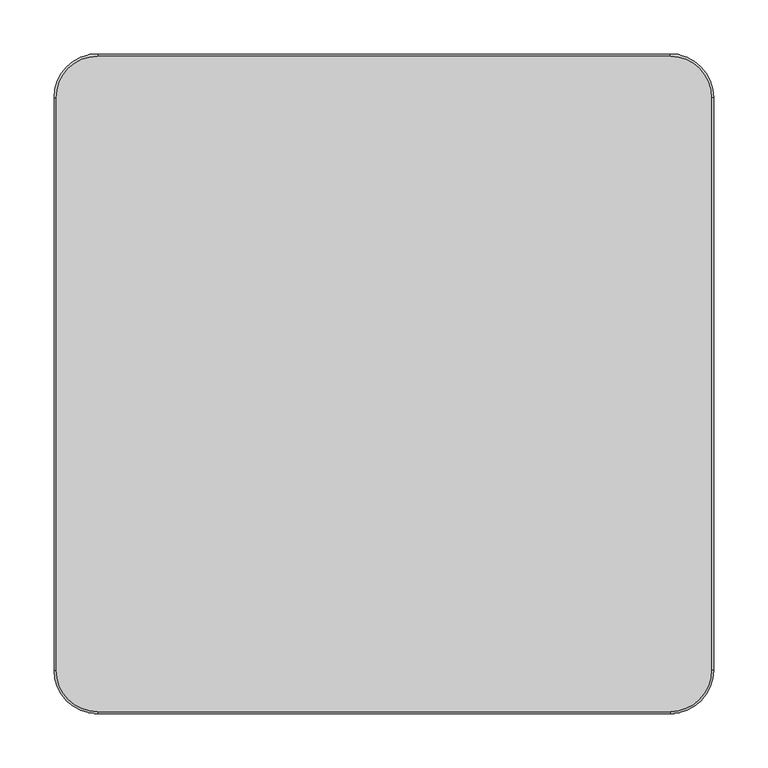
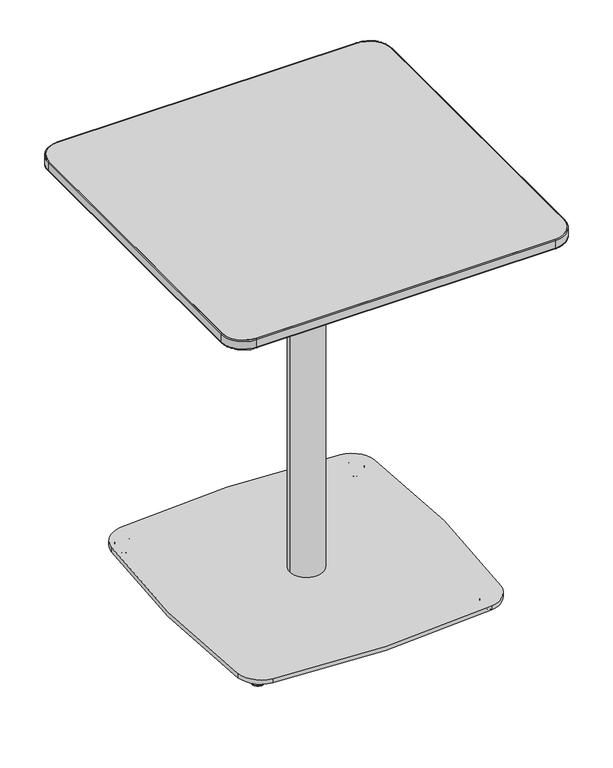
"""IFC4 building model written with IfcOpenShell, lengths in millimetres: furniture geometry."""

from ifc_helpers import new_model, si_unit, point, frame, frame_2d, origin, place, context, project, spatial, polyline, circle_curve, ellipse_curve, trimmed, segment, composite_curve, outline, extrude, source, transform, mapped, element, save
from ifc_brep_helpers import plane_surface, cylinder_surface, revolved_surface, spline_surface, advanced_brep


def furniture_dcd677de(model_context):
    return source(origin(), model_context, "Body", "SolidModel", [
        advanced_brep(
        [(-199.4595416, -196.2537842, 0.0), (-209.8436061, -214.2395115, 0.0), (-204.6515739, -205.2466479, 0.0), (-199.0731063, -195.5844585, 0.5718943), (-210.2300415, -214.9088372, 0.5718943), (-197.4473977, -192.7686487, 11.2068005), (-211.8557501, -217.7246471, 11.2068005), (-197.7408617, -193.2769433, 11.9999882), (-211.5622861, -217.2163525, 11.9999882), (-204.6515739, -205.2466479, 11.9999882)],
        [
            (0, 1, circle_curve(frame((-204.6515739, -205.2466479, 0.0), z_axis=(0.0, 0.0, -1.0), x_axis=(-0.5000000000000069, -0.8660254037844347, 0.0)), 10.3840645)),
            (1, 2),
            (2, 0),
            (1, 0, circle_curve(frame((-204.6515739, -205.2466479, 0.0), z_axis=(0.0, 0.0, -1.0), x_axis=(-0.5000000000000069, -0.8660254037844347, 0.0)), 10.3840645)),
            (3, 4, circle_curve(frame((-204.6515739, -205.2466479, 0.5718943), z_axis=(0.0, 0.0, -1.0), x_axis=(-0.5000000000000069, -0.8660254037844347, 0.0)), 11.1569353)),
            (4, 1, circle_curve(frame((-209.8436061, -214.2395115, 0.8081846), z_axis=(0.8660254037844347, -0.5000000000000069, 0.0), x_axis=(-0.5000000000000069, -0.8660254037844347, 0.0)), 0.8081846)),
            (0, 3, circle_curve(frame((-199.4595416, -196.2537842, 0.8081846), z_axis=(0.866025403784433, -0.5000000000000097, 0.0), x_axis=(0.5000000000000097, 0.866025403784433, 0.0)), 0.8081846)),
            (4, 3, circle_curve(frame((-204.6515739, -205.2466479, 0.5718943), z_axis=(0.0, 0.0, -1.0), x_axis=(-0.5000000000000069, -0.8660254037844347, 0.0)), 11.1569353)),
            (5, 6, circle_curve(frame((-204.6515739, -205.2466479, 11.2068005), z_axis=(0.0, 0.0, -1.0), x_axis=(-0.5000000000000069, -0.8660254037844347, 0.0)), 14.4083524)),
            (6, 4),
            (3, 5),
            (6, 5, circle_curve(frame((-204.6515739, -205.2466479, 11.2068005), z_axis=(0.0, 0.0, -1.0), x_axis=(-0.5000000000000069, -0.8660254037844347, 0.0)), 14.4083524)),
            (7, 8, circle_curve(frame((-204.6515739, -205.2466479, 11.9999882), z_axis=(0.0, 0.0, -1.0), x_axis=(-0.5000000000000069, -0.8660254037844347, 0.0)), 13.8214243)),
            (8, 6, circle_curve(frame((-211.5622861, -217.2163525, 11.3862424), z_axis=(0.8660254037844347, -0.5000000000000069, 0.0), x_axis=(-0.5000000000000069, -0.8660254037844347, 0.0)), 0.6137458)),
            (5, 7, circle_curve(frame((-197.7408617, -193.2769433, 11.3862424), z_axis=(0.866025403784433, -0.5000000000000097, 0.0), x_axis=(0.5000000000000097, 0.866025403784433, 0.0)), 0.6137458)),
            (8, 7, circle_curve(frame((-204.6515739, -205.2466479, 11.9999882), z_axis=(0.0, 0.0, -1.0), x_axis=(-0.5000000000000069, -0.8660254037844347, 0.0)), 13.8214243)),
            (9, 8),
            (7, 9),
        ],
        [
            plane_surface(frame((-204.6515739, -205.2466479, 0.0), z_axis=(0.0, 0.0, -1.0), x_axis=(-0.5000000000000069, -0.8660254037844347, 0.0))),
            revolved_surface(trimmed(ellipse_curve(frame((-209.8436061, -214.2395115, 0.8081846), z_axis=(-0.8660254037844347, 0.5000000000000069, 0.0), x_axis=(-0.5000000000000069, -0.8660254037844347, 0.0)), 0.8081846, 0.8081846), [point((-209.8436061, -214.2395115, 0.0))], [point((-210.2300415, -214.9088372, 0.5718943))], True, "CARTESIAN"), (-204.6515739, -205.2466479, 12.2086845), (0.0, 0.0, 1.0)),
            revolved_surface(polyline([(-210.2300415, -214.9088372, 0.5718943), (-211.8557501, -217.7246471, 11.2068005)]), (-204.6515739, -205.2466479, 12.2086845), (0.0, 0.0, 1.0)),
            revolved_surface(trimmed(ellipse_curve(frame((-211.5622861, -217.2163525, 11.3862424), z_axis=(-0.8660254037844347, 0.5000000000000069, 0.0), x_axis=(-0.5000000000000069, -0.8660254037844347, 0.0)), 0.6137458, 0.6137458), [point((-211.8557501, -217.7246471, 11.2068005))], [point((-211.5622861, -217.2163525, 11.9999882))], True, "CARTESIAN"), (-204.6515739, -205.2466479, 12.2086845), (0.0, 0.0, 1.0)),
            plane_surface(frame((-204.6515739, -205.2466479, 11.9999882), z_axis=(0.0, 0.0, 1.0), x_axis=(-0.5000000000000069, -0.8660254037844347, 0.0))),
        ],
        [
            (0, [[1, 2, 3]]),
            (0, [[4, -3, -2]]),
            (1, [[5, 6, -1, 7]]),
            (1, [[8, -7, -4, -6]]),
            (2, [[9, 10, -5, 11]]),
            (2, [[12, -11, -8, -10]]),
            (3, [[13, 14, -9, 15]]),
            (3, [[16, -15, -12, -14]]),
            (4, [[17, -13, 18]]),
            (4, [[-18, -16, -17]]),
        ],
    ),
        advanced_brep(
        [(204.6515739, -205.2466479, 0.0), (209.8436061, -214.2395115, 0.0), (199.4595416, -196.2537842, 0.0), (210.2300415, -214.9088372, 0.5718943), (199.0731063, -195.5844585, 0.5718943), (211.8557501, -217.7246471, 11.2068005), (197.4473977, -192.7686487, 11.2068005), (211.5622861, -217.2163525, 11.9999882), (197.7408617, -193.2769433, 11.9999882), (204.6515739, -205.2466479, 11.9999882)],
        [
            (0, 1),
            (1, 2, circle_curve(frame((204.6515739, -205.2466479, 0.0), z_axis=(0.0, 0.0, -1.0), x_axis=(0.5000000000000069, -0.8660254037844347, 0.0)), 10.3840645)),
            (2, 0),
            (2, 1, circle_curve(frame((204.6515739, -205.2466479, 0.0), z_axis=(0.0, 0.0, -1.0), x_axis=(0.5000000000000069, -0.8660254037844347, 0.0)), 10.3840645)),
            (1, 3, circle_curve(frame((209.8436061, -214.2395115, 0.8081846), z_axis=(-0.8660254037844347, -0.5000000000000069, 0.0), x_axis=(0.5000000000000069, -0.8660254037844347, 0.0)), 0.8081846)),
            (3, 4, circle_curve(frame((204.6515739, -205.2466479, 0.5718943), z_axis=(0.0, 0.0, -1.0), x_axis=(0.5000000000000069, -0.8660254037844347, 0.0)), 11.1569353)),
            (4, 2, circle_curve(frame((199.4595416, -196.2537842, 0.8081846), z_axis=(-0.866025403784433, -0.5000000000000097, 0.0), x_axis=(-0.5000000000000097, 0.866025403784433, 0.0)), 0.8081846)),
            (4, 3, circle_curve(frame((204.6515739, -205.2466479, 0.5718943), z_axis=(0.0, 0.0, -1.0), x_axis=(0.5000000000000069, -0.8660254037844347, 0.0)), 11.1569353)),
            (3, 5),
            (5, 6, circle_curve(frame((204.6515739, -205.2466479, 11.2068005), z_axis=(0.0, 0.0, -1.0), x_axis=(0.5000000000000069, -0.8660254037844347, 0.0)), 14.4083524)),
            (6, 4),
            (6, 5, circle_curve(frame((204.6515739, -205.2466479, 11.2068005), z_axis=(0.0, 0.0, -1.0), x_axis=(0.5000000000000069, -0.8660254037844347, 0.0)), 14.4083524)),
            (5, 7, circle_curve(frame((211.5622861, -217.2163525, 11.3862424), z_axis=(-0.8660254037844347, -0.5000000000000069, 0.0), x_axis=(0.5000000000000069, -0.8660254037844347, 0.0)), 0.6137458)),
            (7, 8, circle_curve(frame((204.6515739, -205.2466479, 11.9999882), z_axis=(0.0, 0.0, -1.0), x_axis=(0.5000000000000069, -0.8660254037844347, 0.0)), 13.8214243)),
            (8, 6, circle_curve(frame((197.7408617, -193.2769433, 11.3862424), z_axis=(-0.866025403784433, -0.5000000000000097, 0.0), x_axis=(-0.5000000000000097, 0.866025403784433, 0.0)), 0.6137458)),
            (8, 7, circle_curve(frame((204.6515739, -205.2466479, 11.9999882), z_axis=(0.0, 0.0, -1.0), x_axis=(0.5000000000000069, -0.8660254037844347, 0.0)), 13.8214243)),
            (7, 9),
            (9, 8),
        ],
        [
            plane_surface(frame((204.6515739, -205.2466479, 0.0), z_axis=(0.0, 0.0, -1.0), x_axis=(0.5000000000000069, -0.8660254037844347, 0.0))),
            revolved_surface(trimmed(ellipse_curve(frame((209.8436061, -214.2395115, 0.8081846), z_axis=(0.8660254037844347, 0.5000000000000069, 0.0), x_axis=(0.5000000000000069, -0.8660254037844347, 0.0)), 0.8081846, 0.8081846), [point((210.2300415, -214.9088372, 0.5718943))], [point((209.8436061, -214.2395115, 0.0))], True, "CARTESIAN"), (204.6515739, -205.2466479, 12.2086845), (0.0, 0.0, -1.0)),
            revolved_surface(polyline([(211.8557501, -217.7246471, 11.2068005), (210.2300415, -214.9088372, 0.5718943)]), (204.6515739, -205.2466479, 12.2086845), (0.0, 0.0, -1.0)),
            revolved_surface(trimmed(ellipse_curve(frame((211.5622861, -217.2163525, 11.3862424), z_axis=(0.8660254037844347, 0.5000000000000069, 0.0), x_axis=(0.5000000000000069, -0.8660254037844347, 0.0)), 0.6137458, 0.6137458), [point((211.5622861, -217.2163525, 11.9999882))], [point((211.8557501, -217.7246471, 11.2068005))], True, "CARTESIAN"), (204.6515739, -205.2466479, 12.2086845), (0.0, 0.0, -1.0)),
            plane_surface(frame((204.6515739, -205.2466479, 11.9999882), z_axis=(0.0, 0.0, 1.0), x_axis=(0.5000000000000069, -0.8660254037844347, 0.0))),
        ],
        [
            (0, [[1, 2, 3]]),
            (0, [[-3, 4, -1]]),
            (1, [[-2, 5, 6, 7]]),
            (1, [[-4, -7, 8, -5]]),
            (2, [[-6, 9, 10, 11]]),
            (2, [[-8, -11, 12, -9]]),
            (3, [[-10, 13, 14, 15]]),
            (3, [[-12, -15, 16, -13]]),
            (4, [[-14, 17, 18]]),
            (4, [[-16, -18, -17]]),
        ],
    ),
        advanced_brep(
        [(199.4595416, 196.2537842, 0.0), (209.8436061, 214.2395115, 0.0), (204.6515739, 205.2466479, 0.0), (199.0731063, 195.5844585, 0.5718943), (210.2300415, 214.9088372, 0.5718943), (197.4473977, 192.7686487, 11.2068005), (211.8557501, 217.7246471, 11.2068005), (197.7408617, 193.2769433, 11.9999882), (211.5622861, 217.2163525, 11.9999882), (204.6515739, 205.2466479, 11.9999882)],
        [
            (0, 1, circle_curve(frame((204.6515739, 205.2466479, 0.0), z_axis=(0.0, 0.0, -1.0), x_axis=(0.5000000000000069, 0.8660254037844347, 0.0)), 10.3840645)),
            (1, 2),
            (2, 0),
            (1, 0, circle_curve(frame((204.6515739, 205.2466479, 0.0), z_axis=(0.0, 0.0, -1.0), x_axis=(0.5000000000000069, 0.8660254037844347, 0.0)), 10.3840645)),
            (3, 4, circle_curve(frame((204.6515739, 205.2466479, 0.5718943), z_axis=(0.0, 0.0, -1.0), x_axis=(0.5000000000000069, 0.8660254037844347, 0.0)), 11.1569353)),
            (4, 1, circle_curve(frame((209.8436061, 214.2395115, 0.8081846), z_axis=(-0.8660254037844347, 0.5000000000000069, 0.0), x_axis=(0.5000000000000069, 0.8660254037844347, 0.0)), 0.8081846)),
            (0, 3, circle_curve(frame((199.4595416, 196.2537842, 0.8081846), z_axis=(-0.866025403784433, 0.5000000000000097, 0.0), x_axis=(-0.5000000000000097, -0.866025403784433, 0.0)), 0.8081846)),
            (4, 3, circle_curve(frame((204.6515739, 205.2466479, 0.5718943), z_axis=(0.0, 0.0, -1.0), x_axis=(0.5000000000000069, 0.8660254037844347, 0.0)), 11.1569353)),
            (5, 6, circle_curve(frame((204.6515739, 205.2466479, 11.2068005), z_axis=(0.0, 0.0, -1.0), x_axis=(0.5000000000000069, 0.8660254037844347, 0.0)), 14.4083524)),
            (6, 4),
            (3, 5),
            (6, 5, circle_curve(frame((204.6515739, 205.2466479, 11.2068005), z_axis=(0.0, 0.0, -1.0), x_axis=(0.5000000000000069, 0.8660254037844347, 0.0)), 14.4083524)),
            (7, 8, circle_curve(frame((204.6515739, 205.2466479, 11.9999882), z_axis=(0.0, 0.0, -1.0), x_axis=(0.5000000000000069, 0.8660254037844347, 0.0)), 13.8214243)),
            (8, 6, circle_curve(frame((211.5622861, 217.2163525, 11.3862424), z_axis=(-0.8660254037844347, 0.5000000000000069, 0.0), x_axis=(0.5000000000000069, 0.8660254037844347, 0.0)), 0.6137458)),
            (5, 7, circle_curve(frame((197.7408617, 193.2769433, 11.3862424), z_axis=(-0.866025403784433, 0.5000000000000097, 0.0), x_axis=(-0.5000000000000097, -0.866025403784433, 0.0)), 0.6137458)),
            (8, 7, circle_curve(frame((204.6515739, 205.2466479, 11.9999882), z_axis=(0.0, 0.0, -1.0), x_axis=(0.5000000000000069, 0.8660254037844347, 0.0)), 13.8214243)),
            (9, 8),
            (7, 9),
        ],
        [
            plane_surface(frame((204.6515739, 205.2466479, 0.0), z_axis=(0.0, 0.0, -1.0), x_axis=(0.5000000000000069, 0.8660254037844347, 0.0))),
            revolved_surface(trimmed(ellipse_curve(frame((209.8436061, 214.2395115, 0.8081846), z_axis=(0.8660254037844347, -0.5000000000000069, 0.0), x_axis=(0.5000000000000069, 0.8660254037844347, 0.0)), 0.8081846, 0.8081846), [point((209.8436061, 214.2395115, 0.0))], [point((210.2300415, 214.9088372, 0.5718943))], True, "CARTESIAN"), (204.6515739, 205.2466479, 12.2086845), (0.0, 0.0, 1.0)),
            revolved_surface(polyline([(210.2300415, 214.9088372, 0.5718943), (211.8557501, 217.7246471, 11.2068005)]), (204.6515739, 205.2466479, 12.2086845), (0.0, 0.0, 1.0)),
            revolved_surface(trimmed(ellipse_curve(frame((211.5622861, 217.2163525, 11.3862424), z_axis=(0.8660254037844347, -0.5000000000000069, 0.0), x_axis=(0.5000000000000069, 0.8660254037844347, 0.0)), 0.6137458, 0.6137458), [point((211.8557501, 217.7246471, 11.2068005))], [point((211.5622861, 217.2163525, 11.9999882))], True, "CARTESIAN"), (204.6515739, 205.2466479, 12.2086845), (0.0, 0.0, 1.0)),
            plane_surface(frame((204.6515739, 205.2466479, 11.9999882), z_axis=(0.0, 0.0, 1.0), x_axis=(0.5000000000000069, 0.8660254037844347, 0.0))),
        ],
        [
            (0, [[1, 2, 3]]),
            (0, [[4, -3, -2]]),
            (1, [[5, 6, -1, 7]]),
            (1, [[8, -7, -4, -6]]),
            (2, [[9, 10, -5, 11]]),
            (2, [[12, -11, -8, -10]]),
            (3, [[13, 14, -9, 15]]),
            (3, [[16, -15, -12, -14]]),
            (4, [[17, -13, 18]]),
            (4, [[-18, -16, -17]]),
        ],
    ),
        extrude(outline(composite_curve([segment(trimmed(circle_curve(frame_2d((189.3188482, 188.9781952)), 44.45), [point((194.4241587, 233.1340363))], [point((233.4709717, 194.115557))], False, "CARTESIAN"), True, "CONTINUOUS"), segment(trimmed(circle_curve(frame_2d((-1397.5488879, 4.3367087)), 1642.0236885), [point((233.4709717, 194.115557))], [point((232.4883748, -193.704489))], False, "CARTESIAN"), True, "CONTINUOUS"), segment(trimmed(circle_curve(frame_2d((188.3628504, -188.3434633)), 44.45), [point((232.4883748, -193.704489))], [point((193.9003311, -232.4471911))], False, "CARTESIAN"), True, "CONTINUOUS"), segment(trimmed(circle_curve(frame_2d((-4.3367152, 1346.4283112)), 1591.2717488), [point((193.9003311, -232.4471911))], [point((-194.577927, -233.4305622))], False, "CARTESIAN"), True, "CONTINUOUS"), segment(trimmed(circle_curve(frame_2d((-189.263799, -189.2993652)), 44.45), [point((-194.577927, -233.4305622))], [point((-233.438325, -194.2403925))], False, "CARTESIAN"), True, "CONTINUOUS"), segment(trimmed(circle_curve(frame_2d((1503.1397991, 5.89e-05)), 1747.4074894), [point((-233.438325, -194.2403925))], [point((-233.4410299, 194.2163254))], False, "CARTESIAN"), True, "CONTINUOUS"), segment(trimmed(circle_curve(frame_2d((-189.2664351, 189.2759133)), 44.45), [point((-233.4410299, 194.2163254))], [point((-194.3022914, 233.4397294))], False, "CARTESIAN"), True, "CONTINUOUS"), segment(trimmed(circle_curve(frame_2d((-1.2702107, -1459.4269529)), 1703.8365498), [point((-194.3022914, 233.4397294))], [point((194.4241587, 233.1340363))], False, "CARTESIAN"), True, "CONTINUOUS")], self_intersect=False)), frame((0.0, 0.0, 11.999986), z_axis=(0.0, 0.0, 1.0), x_axis=(1.0, 0.0, 0.0)), (0.0, 0.0, 1.0), 8.0000105),
        advanced_brep(
        [(-204.6515739, 205.2466479, 0.0), (-209.8436061, 214.2395115, 0.0), (-199.4595416, 196.2537842, 0.0), (-210.2300415, 214.9088372, 0.5718943), (-199.0731063, 195.5844585, 0.5718943), (-211.8557501, 217.7246471, 11.2068005), (-197.4473977, 192.7686487, 11.2068005), (-211.5622861, 217.2163525, 11.9999882), (-197.7408617, 193.2769433, 11.9999882), (-204.6515739, 205.2466479, 11.9999882)],
        [
            (0, 1),
            (1, 2, circle_curve(frame((-204.6515739, 205.2466479, 0.0), z_axis=(0.0, 0.0, -1.0), x_axis=(-0.5000000000000069, 0.8660254037844347, 0.0)), 10.3840645)),
            (2, 0),
            (2, 1, circle_curve(frame((-204.6515739, 205.2466479, 0.0), z_axis=(0.0, 0.0, -1.0), x_axis=(-0.5000000000000069, 0.8660254037844347, 0.0)), 10.3840645)),
            (1, 3, circle_curve(frame((-209.8436061, 214.2395115, 0.8081846), z_axis=(0.8660254037844347, 0.5000000000000069, 0.0), x_axis=(-0.5000000000000069, 0.8660254037844347, 0.0)), 0.8081846)),
            (3, 4, circle_curve(frame((-204.6515739, 205.2466479, 0.5718943), z_axis=(0.0, 0.0, -1.0), x_axis=(-0.5000000000000069, 0.8660254037844347, 0.0)), 11.1569353)),
            (4, 2, circle_curve(frame((-199.4595416, 196.2537842, 0.8081846), z_axis=(0.866025403784433, 0.5000000000000097, 0.0), x_axis=(0.5000000000000097, -0.866025403784433, 0.0)), 0.8081846)),
            (4, 3, circle_curve(frame((-204.6515739, 205.2466479, 0.5718943), z_axis=(0.0, 0.0, -1.0), x_axis=(-0.5000000000000069, 0.8660254037844347, 0.0)), 11.1569353)),
            (3, 5),
            (5, 6, circle_curve(frame((-204.6515739, 205.2466479, 11.2068005), z_axis=(0.0, 0.0, -1.0), x_axis=(-0.5000000000000069, 0.8660254037844347, 0.0)), 14.4083524)),
            (6, 4),
            (6, 5, circle_curve(frame((-204.6515739, 205.2466479, 11.2068005), z_axis=(0.0, 0.0, -1.0), x_axis=(-0.5000000000000069, 0.8660254037844347, 0.0)), 14.4083524)),
            (5, 7, circle_curve(frame((-211.5622861, 217.2163525, 11.3862424), z_axis=(0.8660254037844347, 0.5000000000000069, 0.0), x_axis=(-0.5000000000000069, 0.8660254037844347, 0.0)), 0.6137458)),
            (7, 8, circle_curve(frame((-204.6515739, 205.2466479, 11.9999882), z_axis=(0.0, 0.0, -1.0), x_axis=(-0.5000000000000069, 0.8660254037844347, 0.0)), 13.8214243)),
            (8, 6, circle_curve(frame((-197.7408617, 193.2769433, 11.3862424), z_axis=(0.866025403784433, 0.5000000000000097, 0.0), x_axis=(0.5000000000000097, -0.866025403784433, 0.0)), 0.6137458)),
            (8, 7, circle_curve(frame((-204.6515739, 205.2466479, 11.9999882), z_axis=(0.0, 0.0, -1.0), x_axis=(-0.5000000000000069, 0.8660254037844347, 0.0)), 13.8214243)),
            (7, 9),
            (9, 8),
        ],
        [
            plane_surface(frame((-204.6515739, 205.2466479, 0.0), z_axis=(0.0, 0.0, -1.0), x_axis=(-0.5000000000000069, 0.8660254037844347, 0.0))),
            revolved_surface(trimmed(ellipse_curve(frame((-209.8436061, 214.2395115, 0.8081846), z_axis=(-0.8660254037844347, -0.5000000000000069, 0.0), x_axis=(-0.5000000000000069, 0.8660254037844347, 0.0)), 0.8081846, 0.8081846), [point((-210.2300415, 214.9088372, 0.5718943))], [point((-209.8436061, 214.2395115, 0.0))], True, "CARTESIAN"), (-204.6515739, 205.2466479, 12.2086845), (0.0, 0.0, -1.0)),
            revolved_surface(polyline([(-211.8557501, 217.7246471, 11.2068005), (-210.2300415, 214.9088372, 0.5718943)]), (-204.6515739, 205.2466479, 12.2086845), (0.0, 0.0, -1.0)),
            revolved_surface(trimmed(ellipse_curve(frame((-211.5622861, 217.2163525, 11.3862424), z_axis=(-0.8660254037844347, -0.5000000000000069, 0.0), x_axis=(-0.5000000000000069, 0.8660254037844347, 0.0)), 0.6137458, 0.6137458), [point((-211.5622861, 217.2163525, 11.9999882))], [point((-211.8557501, 217.7246471, 11.2068005))], True, "CARTESIAN"), (-204.6515739, 205.2466479, 12.2086845), (0.0, 0.0, -1.0)),
            plane_surface(frame((-204.6515739, 205.2466479, 11.9999882), z_axis=(0.0, 0.0, 1.0), x_axis=(-0.5000000000000069, 0.8660254037844347, 0.0))),
        ],
        [
            (0, [[1, 2, 3]]),
            (0, [[-3, 4, -1]]),
            (1, [[-2, 5, 6, 7]]),
            (1, [[-4, -7, 8, -5]]),
            (2, [[-6, 9, 10, 11]]),
            (2, [[-8, -11, 12, -9]]),
            (3, [[-10, 13, 14, 15]]),
            (3, [[-12, -15, 16, -13]]),
            (4, [[-14, 17, 18]]),
            (4, [[-16, -18, -17]]),
        ],
    ),
        advanced_brep(
        [(239.8626362, 239.8635082, 693.930027), (239.8626362, -239.8635082, 693.930027), (-239.8626362, -239.8635082, 693.930027), (-239.8626362, 239.8635082, 693.930027), (264.588625, 302.768, 706.195891), (-264.588625, 302.768, 706.195891), (-302.688625, 264.668, 706.195891), (-302.688625, -264.668, 706.195891), (-264.588625, -302.768, 706.195891), (264.588625, -302.768, 706.195891), (302.688625, -264.668, 706.195891), (302.688625, 264.668, 706.195891)],
        [
            (0, 1),
            (1, 2),
            (2, 3),
            (3, 0),
            (4, 5),
            (5, 6, circle_curve(frame((-264.588625, 264.668, 706.195891), z_axis=(0.0, 0.0, 1.0), x_axis=(1.0, 0.0, 0.0)), 38.1)),
            (6, 7),
            (7, 8, circle_curve(frame((-264.588625, -264.668, 706.195891), z_axis=(0.0, 0.0, 1.0), x_axis=(1.0, 0.0, 0.0)), 38.1)),
            (8, 9),
            (9, 10, circle_curve(frame((264.588625, -264.668, 706.195891), z_axis=(0.0, 0.0, 1.0), x_axis=(1.0, 0.0, 0.0)), 38.1)),
            (10, 11),
            (11, 4, circle_curve(frame((264.588625, 264.668, 706.195891), z_axis=(0.0, 0.0, 1.0), x_axis=(1.0, 0.0, 0.0)), 38.1)),
            (11, 0),
            (0, 4),
            (10, 1),
            (9, 1),
            (8, 2),
            (7, 2),
            (6, 3),
            (5, 3),
        ],
        [
            plane_surface(frame((0.0, 0.0, 693.930027), z_axis=(0.0, 0.0, -1.0), x_axis=(-1.0, 0.0, 0.0))),
            plane_surface(frame((0.0, 0.0, 706.195891), z_axis=(0.0, 0.0, 1.0), x_axis=(-1.0, 0.0, 0.0))),
            spline_surface(2, 1, [[(264.588625, 302.768, 706.195891), (239.8626362, 239.8635082, 693.930027)], [(302.68862499999994, 302.7679999999999, 706.195891), (239.8626362, 239.8635082, 693.930027)], [(302.688625, 264.668, 706.195891), (239.8626362, 239.8635082, 693.930027)]], [3, 3], [2, 2], [0.0, 1.0], [0.0, 1.0], weights=[[1.0, 1.0], [0.7071067811865481, 0.7071067811865481], [1.0, 1.0]]),
            plane_surface(frame((302.688625, 0.0, 706.195891), z_axis=(0.19161772505172112, 0.0, -0.9814696365379844), x_axis=(0.0, -1.0, 0.0))),
            spline_surface(2, 1, [[(302.688625, -264.668, 706.195891), (239.8626362, -239.8635082, 693.930027)], [(302.68862500000006, -302.76800000000003, 706.195891), (239.8626362, -239.8635082, 693.930027)], [(264.588625, -302.768, 706.195891), (239.8626362, -239.8635082, 693.930027)]], [3, 3], [2, 2], [0.0, 1.0], [0.0, 1.0], weights=[[1.0, 1.0], [0.707106781186547, 0.707106781186547], [1.0, 1.0]]),
            plane_surface(frame((0.0, -302.768, 706.195891), z_axis=(0.0, -0.19138735626662814, -0.9815145846401218), x_axis=(-1.0, 0.0, 0.0))),
            spline_surface(2, 1, [[(-264.588625, -302.768, 706.195891), (-239.8626362, -239.8635082, 693.930027)], [(-302.68862499999994, -302.7679999999999, 706.195891), (-239.8626362, -239.8635082, 693.930027)], [(-302.688625, -264.668, 706.195891), (-239.8626362, -239.8635082, 693.930027)]], [3, 3], [2, 2], [0.0, 1.0], [0.0, 1.0], weights=[[1.0, 1.0], [0.7071067811865481, 0.7071067811865481], [1.0, 1.0]]),
            plane_surface(frame((-302.688625, 0.0, 706.195891), z_axis=(-0.19161772505172509, 0.0, -0.9814696365379836), x_axis=(0.0, 1.0, 0.0))),
            spline_surface(2, 1, [[(-302.688625, 264.668, 706.195891), (-239.8626362, 239.8635082, 693.930027)], [(-302.68862500000006, 302.76800000000003, 706.195891), (-239.8626362, 239.8635082, 693.930027)], [(-264.588625, 302.768, 706.195891), (-239.8626362, 239.8635082, 693.930027)]], [3, 3], [2, 2], [0.0, 1.0], [0.0, 1.0], weights=[[1.0, 1.0], [0.707106781186547, 0.707106781186547], [1.0, 1.0]]),
            plane_surface(frame((0.0, 302.768, 706.195891), z_axis=(0.0, 0.19138735626662756, -0.981514584640122), x_axis=(1.0, 0.0, 0.0))),
        ],
        [
            (0, [[1, 2, 3, 4]]),
            (1, [[5, 6, 7, 8, 9, 10, 11, 12]]),
            (2, [[-12, 13, 14]]),
            (3, [[-11, 15, -1, -13]]),
            (4, [[-10, 16, -15]]),
            (5, [[-9, 17, -2, -16]]),
            (6, [[-8, 18, -17]]),
            (7, [[-7, 19, -3, -18]]),
            (8, [[-6, 20, -19]]),
            (9, [[-5, -14, -4, -20]]),
        ],
    ),
        extrude(outline(composite_curve([segment(trimmed(circle_curve(frame_2d((264.588625, 264.668)), 38.1), [point((264.588625, 302.768))], [point((302.688625, 264.668))], False, "CARTESIAN"), True, "CONTINUOUS"), segment(polyline([(302.688625, 264.668), (302.688625, -264.668)]), True, "CONTINUOUS"), segment(trimmed(circle_curve(frame_2d((264.588625, -264.668)), 38.1), [point((302.688625, -264.668))], [point((264.588625, -302.768))], False, "CARTESIAN"), True, "CONTINUOUS"), segment(polyline([(264.588625, -302.768), (-264.588625, -302.768)]), True, "CONTINUOUS"), segment(trimmed(circle_curve(frame_2d((-264.588625, -264.668)), 38.1), [point((-264.588625, -302.768))], [point((-302.688625, -264.668))], False, "CARTESIAN"), True, "CONTINUOUS"), segment(polyline([(-302.688625, -264.668), (-302.688625, 264.668)]), True, "CONTINUOUS"), segment(trimmed(circle_curve(frame_2d((-264.588625, 264.668)), 38.1), [point((-302.688625, 264.668))], [point((-264.588625, 302.768))], False, "CARTESIAN"), True, "CONTINUOUS"), segment(polyline([(-264.588625, 302.768), (264.588625, 302.768)]), True, "CONTINUOUS")], self_intersect=False)), frame((0.0, 0.0, 706.195891), z_axis=(0.0, 0.0, 1.0), x_axis=(1.0, 0.0, 0.0)), (0.0, 0.0, 1.0), 17.704109),
        advanced_brep(
        [(-304.7644915, 264.668, 708.1278467), (-264.588625, 304.8438665, 708.1278467), (-264.588625, 302.768, 706.195891), (-302.688625, 264.668, 706.195891), (-304.7644915, 264.668, 721.8999283), (-264.588625, 304.8438665, 721.8999283), (-302.688625, 264.668, 723.9), (-264.588625, 302.768, 723.9), (-302.688625, -264.668, 706.195891), (-304.7644915, -264.668, 708.1278467), (-304.7644915, -264.668, 721.8999283), (-302.688625, -264.668, 723.9), (-264.588625, -304.8438665, 708.1278467), (-264.588625, -302.768, 706.195891), (-264.588625, -304.8438665, 721.8999283), (-264.588625, -302.768, 723.9), (264.588625, -302.768, 706.195891), (264.588625, -304.8438665, 708.1278467), (264.588625, -304.8438665, 721.8999283), (264.588625, -302.768, 723.9), (304.7644915, -264.668, 708.1278467), (302.688625, -264.668, 706.195891), (304.7644915, -264.668, 721.8999283), (302.688625, -264.668, 723.9), (302.688625, 264.668, 706.195891), (304.7644915, 264.668, 708.1278467), (304.7644915, 264.668, 721.8999283), (302.688625, 264.668, 723.9), (264.588625, 304.8438665, 708.1278467), (264.588625, 302.768, 706.195891), (264.588625, 304.8438665, 721.8999283), (264.588625, 302.768, 723.9)],
        [
            (0, 1, circle_curve(frame((-264.588625, 264.668, 708.1278467), z_axis=(0.0, 0.0, -1.0), x_axis=(0.0, 1.0, 0.0)), 40.1758665)),
            (1, 2, circle_curve(frame((-264.588625, 302.9069224, 708.1278467), z_axis=(-1.0, 0.0, 0.0), x_axis=(0.0, -1.0, 0.0)), 1.9369441)),
            (2, 3, circle_curve(frame((-264.588625, 264.668, 706.195891), z_axis=(0.0, 0.0, 1.0), x_axis=(0.0, 1.0, 0.0)), 38.1)),
            (3, 0, circle_curve(frame((-302.8275474, 264.668, 708.1278467), z_axis=(0.0, 1.0, 0.0), x_axis=(1.0, 0.0, 0.0)), 1.9369441)),
            (4, 5, circle_curve(frame((-264.588625, 264.668, 721.8999283), z_axis=(0.0, 0.0, -1.0), x_axis=(0.0, 1.0, 0.0)), 40.1758665)),
            (5, 1),
            (0, 4),
            (6, 7, circle_curve(frame((-264.588625, 264.668, 723.9), z_axis=(0.0, 0.0, -1.0), x_axis=(0.0, 1.0, 0.0)), 38.1)),
            (7, 5, circle_curve(frame((-264.588625, 302.8424111, 721.8999283), z_axis=(-1.0, 0.0, 0.0), x_axis=(0.0, -1.0, 0.0)), 2.0014554)),
            (4, 6, circle_curve(frame((-302.7630361, 264.668, 721.8999283), z_axis=(0.0, 1.0, 0.0), x_axis=(1.0, 0.0, 0.0)), 2.0014554)),
            (2, 7),
            (6, 3),
            (3, 8),
            (8, 9, circle_curve(frame((-302.8275474, -264.668, 708.1278467), z_axis=(0.0, 1.0, 0.0), x_axis=(1.0, 0.0, 0.0)), 1.9369441)),
            (9, 0),
            (9, 10),
            (10, 4),
            (10, 11, circle_curve(frame((-302.7630361, -264.668, 721.8999283), z_axis=(0.0, 1.0, 0.0), x_axis=(1.0, 0.0, 0.0)), 2.0014554)),
            (11, 6),
            (11, 8),
            (12, 9, circle_curve(frame((-264.588625, -264.668, 708.1278467), z_axis=(0.0, 0.0, -1.0), x_axis=(-1.0, 0.0, 0.0)), 40.1758665)),
            (8, 13, circle_curve(frame((-264.588625, -264.668, 706.195891), z_axis=(0.0, 0.0, 1.0), x_axis=(-1.0, 0.0, 0.0)), 38.1)),
            (13, 12, circle_curve(frame((-264.588625, -302.9069224, 708.1278467), z_axis=(-1.0, 0.0, 0.0), x_axis=(0.0, 1.0, 0.0)), 1.9369441)),
            (14, 10, circle_curve(frame((-264.588625, -264.668, 721.8999283), z_axis=(0.0, 0.0, -1.0), x_axis=(-1.0, 0.0, 0.0)), 40.1758665)),
            (12, 14),
            (15, 11, circle_curve(frame((-264.588625, -264.668, 723.9), z_axis=(0.0, 0.0, -1.0), x_axis=(-1.0, 0.0, 0.0)), 38.1)),
            (14, 15, circle_curve(frame((-264.588625, -302.8424111, 721.8999283), z_axis=(-1.0, 0.0, 0.0), x_axis=(0.0, 1.0, 0.0)), 2.0014554)),
            (15, 13),
            (13, 16),
            (16, 17, circle_curve(frame((264.588625, -302.9069224, 708.1278467), z_axis=(-1.0, 0.0, 0.0), x_axis=(0.0, 1.0, 0.0)), 1.9369441)),
            (17, 12),
            (17, 18),
            (18, 14),
            (18, 19, circle_curve(frame((264.588625, -302.8424111, 721.8999283), z_axis=(-1.0, 0.0, 0.0), x_axis=(0.0, 1.0, 0.0)), 2.0014554)),
            (19, 15),
            (19, 16),
            (20, 17, circle_curve(frame((264.588625, -264.668, 708.1278467), z_axis=(0.0, 0.0, -1.0), x_axis=(0.0, -1.0, 0.0)), 40.1758665)),
            (16, 21, circle_curve(frame((264.588625, -264.668, 706.195891), z_axis=(0.0, 0.0, 1.0), x_axis=(0.0, -1.0, 0.0)), 38.1)),
            (21, 20, circle_curve(frame((302.8275474, -264.668, 708.1278467), z_axis=(0.0, -1.0, 0.0), x_axis=(-1.0, 0.0, 0.0)), 1.9369441)),
            (22, 18, circle_curve(frame((264.588625, -264.668, 721.8999283), z_axis=(0.0, 0.0, -1.0), x_axis=(0.0, -1.0, 0.0)), 40.1758665)),
            (20, 22),
            (23, 19, circle_curve(frame((264.588625, -264.668, 723.9), z_axis=(0.0, 0.0, -1.0), x_axis=(0.0, -1.0, 0.0)), 38.1)),
            (22, 23, circle_curve(frame((302.7630361, -264.668, 721.8999283), z_axis=(0.0, -1.0, 0.0), x_axis=(-1.0, 0.0, 0.0)), 2.0014554)),
            (23, 21),
            (21, 24),
            (24, 25, circle_curve(frame((302.8275474, 264.668, 708.1278467), z_axis=(0.0, -1.0, 0.0), x_axis=(-1.0, 0.0, 0.0)), 1.9369441)),
            (25, 20),
            (25, 26),
            (26, 22),
            (26, 27, circle_curve(frame((302.7630361, 264.668, 721.8999283), z_axis=(0.0, -1.0, 0.0), x_axis=(-1.0, 0.0, 0.0)), 2.0014554)),
            (27, 23),
            (27, 24),
            (28, 25, circle_curve(frame((264.588625, 264.668, 708.1278467), z_axis=(0.0, 0.0, -1.0), x_axis=(1.0, 0.0, 0.0)), 40.1758665)),
            (24, 29, circle_curve(frame((264.588625, 264.668, 706.195891), z_axis=(0.0, 0.0, 1.0), x_axis=(1.0, 0.0, 0.0)), 38.1)),
            (29, 28, circle_curve(frame((264.588625, 302.9069224, 708.1278467), z_axis=(1.0, 0.0, 0.0), x_axis=(0.0, -1.0, 0.0)), 1.9369441)),
            (30, 26, circle_curve(frame((264.588625, 264.668, 721.8999283), z_axis=(0.0, 0.0, -1.0), x_axis=(1.0, 0.0, 0.0)), 40.1758665)),
            (28, 30),
            (31, 27, circle_curve(frame((264.588625, 264.668, 723.9), z_axis=(0.0, 0.0, -1.0), x_axis=(1.0, 0.0, 0.0)), 38.1)),
            (30, 31, circle_curve(frame((264.588625, 302.8424111, 721.8999283), z_axis=(1.0, 0.0, 0.0), x_axis=(0.0, -1.0, 0.0)), 2.0014554)),
            (31, 29),
            (29, 2),
            (1, 28),
            (5, 30),
            (7, 31),
        ],
        [
            revolved_surface(trimmed(ellipse_curve(frame((-264.588625, 302.9069224, 708.1278467), z_axis=(1.0, 0.0, 0.0), x_axis=(0.0, -1.0, 0.0)), 1.9369441, 1.9369441), [point((-264.588625, 302.768, 706.195891))], [point((-264.588625, 304.8438665, 708.1278467))], True, "CARTESIAN"), (-264.588625, 264.668, 0.0), (0.0, 0.0, 1.0)),
            cylinder_surface(frame((-264.588625, 264.668, 0.0), z_axis=(0.0, 0.0, 1.0), x_axis=(0.0, 1.0, 0.0)), 40.1758665),
            revolved_surface(trimmed(ellipse_curve(frame((-264.588625, 302.8424111, 721.8999283), z_axis=(1.0, 0.0, 0.0), x_axis=(0.0, -1.0, 0.0)), 2.0014554, 2.0014554), [point((-264.588625, 304.8438665, 721.8999283))], [point((-264.588625, 302.768, 723.9))], True, "CARTESIAN"), (-264.588625, 264.668, 0.0), (0.0, 0.0, 1.0)),
            revolved_surface(polyline([(-264.588625, 302.76800000000003, 723.9), (-264.588625, 302.76800000000003, 706.195891)]), (-264.588625, 264.668, 0.0), (0.0, 0.0, 1.0)),
            cylinder_surface(frame((-302.8275474, 264.668, 708.1278467), z_axis=(0.0, 1.0, 0.0), x_axis=(1.0, 0.0, 0.0)), 1.9369441),
            plane_surface(frame((-304.7644915, 264.668, 708.1278467), z_axis=(-1.0, 0.0, 0.0), x_axis=(0.0, -1.0, 0.0))),
            cylinder_surface(frame((-302.7630361, 264.668, 721.8999283), z_axis=(0.0, 1.0, 0.0), x_axis=(1.0, 0.0, 0.0)), 2.0014554),
            plane_surface(frame((-302.688625, 264.668, 723.9), z_axis=(1.0, 0.0, 0.0), x_axis=(0.0, -1.0, 0.0))),
            revolved_surface(trimmed(ellipse_curve(frame((-302.8275474, -264.668, 708.1278467), z_axis=(0.0, 1.0, 0.0), x_axis=(1.0, 0.0, 0.0)), 1.9369441, 1.9369441), [point((-302.688625, -264.668, 706.195891))], [point((-304.7644915, -264.668, 708.1278467))], True, "CARTESIAN"), (-264.588625, -264.668, 0.0), (0.0, 0.0, 1.0)),
            cylinder_surface(frame((-264.588625, -264.668, 0.0), z_axis=(0.0, 0.0, 1.0), x_axis=(-1.0, 0.0, 0.0)), 40.1758665),
            revolved_surface(trimmed(ellipse_curve(frame((-302.7630361, -264.668, 721.8999283), z_axis=(0.0, 1.0, 0.0), x_axis=(1.0, 0.0, 0.0)), 2.0014554, 2.0014554), [point((-304.7644915, -264.668, 721.8999283))], [point((-302.688625, -264.668, 723.9))], True, "CARTESIAN"), (-264.588625, -264.668, 0.0), (0.0, 0.0, 1.0)),
            revolved_surface(polyline([(-302.688625, -264.668, 723.9), (-302.688625, -264.668, 706.195891)]), (-264.588625, -264.668, 0.0), (0.0, 0.0, 1.0)),
            cylinder_surface(frame((-264.588625, -302.9069224, 708.1278467), z_axis=(-1.0, 0.0, 0.0), x_axis=(0.0, 1.0, 0.0)), 1.9369441),
            plane_surface(frame((-264.588625, -304.8438665, 708.1278467), z_axis=(0.0, -1.0, 0.0), x_axis=(1.0, 0.0, 0.0))),
            cylinder_surface(frame((-264.588625, -302.8424111, 721.8999283), z_axis=(-1.0, 0.0, 0.0), x_axis=(0.0, 1.0, 0.0)), 2.0014554),
            plane_surface(frame((-264.588625, -302.768, 723.9), z_axis=(0.0, 1.0, 0.0), x_axis=(1.0, 0.0, 0.0))),
            revolved_surface(trimmed(ellipse_curve(frame((264.588625, -302.9069224, 708.1278467), z_axis=(-1.0, 0.0, 0.0), x_axis=(0.0, 1.0, 0.0)), 1.9369441, 1.9369441), [point((264.588625, -302.768, 706.195891))], [point((264.588625, -304.8438665, 708.1278467))], True, "CARTESIAN"), (264.588625, -264.668, 0.0), (0.0, 0.0, 1.0)),
            cylinder_surface(frame((264.588625, -264.668, 0.0), z_axis=(0.0, 0.0, 1.0), x_axis=(0.0, -1.0, 0.0)), 40.1758665),
            revolved_surface(trimmed(ellipse_curve(frame((264.588625, -302.8424111, 721.8999283), z_axis=(-1.0, 0.0, 0.0), x_axis=(0.0, 1.0, 0.0)), 2.0014554, 2.0014554), [point((264.588625, -304.8438665, 721.8999283))], [point((264.588625, -302.768, 723.9))], True, "CARTESIAN"), (264.588625, -264.668, 0.0), (0.0, 0.0, 1.0)),
            revolved_surface(polyline([(264.588625, -302.76800000000003, 723.9), (264.588625, -302.76800000000003, 706.195891)]), (264.588625, -264.668, 0.0), (0.0, 0.0, 1.0)),
            cylinder_surface(frame((302.8275474, -264.668, 708.1278467), z_axis=(0.0, -1.0, 0.0), x_axis=(-1.0, 0.0, 0.0)), 1.9369441),
            plane_surface(frame((304.7644915, -264.668, 708.1278467), z_axis=(1.0, 0.0, 0.0), x_axis=(0.0, 1.0, 0.0))),
            cylinder_surface(frame((302.7630361, -264.668, 721.8999283), z_axis=(0.0, -1.0, 0.0), x_axis=(-1.0, 0.0, 0.0)), 2.0014554),
            plane_surface(frame((302.688625, -264.668, 723.9), z_axis=(-1.0, 0.0, 0.0), x_axis=(0.0, 1.0, 0.0))),
            revolved_surface(trimmed(ellipse_curve(frame((302.8275474, 264.668, 708.1278467), z_axis=(0.0, -1.0, 0.0), x_axis=(-1.0, 0.0, 0.0)), 1.9369441, 1.9369441), [point((302.688625, 264.668, 706.195891))], [point((304.7644915, 264.668, 708.1278467))], True, "CARTESIAN"), (264.588625, 264.668, 0.0), (0.0, 0.0, 1.0)),
            cylinder_surface(frame((264.588625, 264.668, 0.0), z_axis=(0.0, 0.0, 1.0), x_axis=(1.0, 0.0, 0.0)), 40.1758665),
            revolved_surface(trimmed(ellipse_curve(frame((302.7630361, 264.668, 721.8999283), z_axis=(0.0, -1.0, 0.0), x_axis=(-1.0, 0.0, 0.0)), 2.0014554, 2.0014554), [point((304.7644915, 264.668, 721.8999283))], [point((302.688625, 264.668, 723.9))], True, "CARTESIAN"), (264.588625, 264.668, 0.0), (0.0, 0.0, 1.0)),
            revolved_surface(polyline([(302.688625, 264.668, 723.9), (302.688625, 264.668, 706.195891)]), (264.588625, 264.668, 0.0), (0.0, 0.0, 1.0)),
            cylinder_surface(frame((264.588625, 302.9069224, 708.1278467), z_axis=(1.0, 0.0, 0.0), x_axis=(0.0, -1.0, 0.0)), 1.9369441),
            plane_surface(frame((264.588625, 304.8438665, 708.1278467), z_axis=(0.0, 1.0, 0.0), x_axis=(-1.0, 0.0, 0.0))),
            cylinder_surface(frame((264.588625, 302.8424111, 721.8999283), z_axis=(1.0, 0.0, 0.0), x_axis=(0.0, -1.0, 0.0)), 2.0014554),
            plane_surface(frame((264.588625, 302.768, 723.9), z_axis=(0.0, -1.0, 0.0), x_axis=(-1.0, 0.0, 0.0))),
        ],
        [
            (0, [[1, 2, 3, 4]]),
            (1, [[5, 6, -1, 7]]),
            (2, [[8, 9, -5, 10]]),
            (3, [[-3, 11, -8, 12]]),
            (4, [[-4, 13, 14, 15]]),
            (5, [[-7, -15, 16, 17]]),
            (6, [[-10, -17, 18, 19]]),
            (7, [[-12, -19, 20, -13]]),
            (8, [[21, -14, 22, 23]]),
            (9, [[24, -16, -21, 25]]),
            (10, [[26, -18, -24, 27]]),
            (11, [[-22, -20, -26, 28]]),
            (12, [[-23, 29, 30, 31]]),
            (13, [[-25, -31, 32, 33]]),
            (14, [[-27, -33, 34, 35]]),
            (15, [[-28, -35, 36, -29]]),
            (16, [[37, -30, 38, 39]]),
            (17, [[40, -32, -37, 41]]),
            (18, [[42, -34, -40, 43]]),
            (19, [[-38, -36, -42, 44]]),
            (20, [[-39, 45, 46, 47]]),
            (21, [[-41, -47, 48, 49]]),
            (22, [[-43, -49, 50, 51]]),
            (23, [[-44, -51, 52, -45]]),
            (24, [[53, -46, 54, 55]]),
            (25, [[56, -48, -53, 57]]),
            (26, [[58, -50, -56, 59]]),
            (27, [[-54, -52, -58, 60]]),
            (28, [[-55, 61, -2, 62]]),
            (29, [[-57, -62, -6, 63]]),
            (30, [[-59, -63, -9, 64]]),
            (31, [[-60, -64, -11, -61]]),
        ],
    ),
        advanced_brep(
        [(131.6004101, 0.0, 690.755027), (-131.6004101, 0.0, 690.755027), (-176.1626132, 0.0, 690.755027), (176.1626132, 0.0, 690.755027), (121.0488662, 0.0, 689.6460151), (-121.0488662, 0.0, 689.6460151), (48.7461809, 0.0, 674.9837029), (-48.7461809, 0.0, 674.9837029), (37.412985, 0.0, 674.9837029), (-37.412985, 0.0, 674.9837029), (29.5495828, 0.0, 19.9999965), (-29.5495828, 0.0, 19.9999965), (-29.5495828, 0.0, 686.7852036), (29.5495828, 0.0, 686.7852036), (0.0, 0.0, 19.9999965), (176.1626132, 0.0, 693.930027), (-176.1626132, 0.0, 693.930027), (0.0, 0.0, 693.930027), (33.3511087, 0.0, 676.4383874), (-33.3511087, 0.0, 676.4383874), (31.712334, 0.0, 686.7852036), (-31.712334, 0.0, 686.7852036)],
        [
            (0, 1, circle_curve(frame((0.0, 0.0, 690.755027), z_axis=(0.0, 0.0, 1.0), x_axis=(-1.0, 0.0, 0.0)), 131.6004101)),
            (1, 2),
            (2, 3, circle_curve(frame((0.0, 0.0, 690.755027), z_axis=(0.0, 0.0, -1.0), x_axis=(-1.0, 0.0, 0.0)), 176.1626132)),
            (3, 0),
            (1, 0, circle_curve(frame((0.0, 0.0, 690.755027), z_axis=(0.0, 0.0, 1.0), x_axis=(-1.0, 0.0, 0.0)), 131.6004101)),
            (3, 2, circle_curve(frame((0.0, 0.0, 690.755027), z_axis=(0.0, 0.0, -1.0), x_axis=(-1.0, 0.0, 0.0)), 176.1626132)),
            (4, 5, circle_curve(frame((0.0, 0.0, 689.6460151), z_axis=(0.0, 0.0, 1.0), x_axis=(-1.0, 0.0, 0.0)), 121.0488662)),
            (5, 1),
            (0, 4),
            (5, 4, circle_curve(frame((0.0, 0.0, 689.6460151), z_axis=(0.0, 0.0, 1.0), x_axis=(-1.0, 0.0, 0.0)), 121.0488662)),
            (6, 7, circle_curve(frame((0.0, 0.0, 674.9837029), z_axis=(0.0, 0.0, 1.0), x_axis=(-1.0, 0.0, 0.0)), 48.7461809)),
            (7, 5),
            (4, 6),
            (7, 6, circle_curve(frame((0.0, 0.0, 674.9837029), z_axis=(0.0, 0.0, 1.0), x_axis=(-1.0, 0.0, 0.0)), 48.7461809)),
            (8, 9, circle_curve(frame((0.0, 0.0, 674.9837029), z_axis=(0.0, 0.0, 1.0), x_axis=(-1.0, 0.0, 0.0)), 37.412985)),
            (9, 7),
            (6, 8),
            (9, 8, circle_curve(frame((0.0, 0.0, 674.9837029), z_axis=(0.0, 0.0, 1.0), x_axis=(-1.0, 0.0, 0.0)), 37.412985)),
            (10, 11, circle_curve(frame((0.0, 0.0, 19.9999965), z_axis=(0.0, 0.0, 1.0), x_axis=(-1.0, 0.0, 0.0)), 29.5495828)),
            (11, 12),
            (12, 13, circle_curve(frame((0.0, 0.0, 686.7852036), z_axis=(0.0, 0.0, -1.0), x_axis=(-1.0, 0.0, 0.0)), 29.5495828)),
            (13, 10),
            (11, 10, circle_curve(frame((0.0, 0.0, 19.9999965), z_axis=(0.0, 0.0, 1.0), x_axis=(-1.0, 0.0, 0.0)), 29.5495828)),
            (13, 12, circle_curve(frame((0.0, 0.0, 686.7852036), z_axis=(0.0, 0.0, -1.0), x_axis=(-1.0, 0.0, 0.0)), 29.5495828)),
            (14, 11),
            (10, 14),
            (15, 16, circle_curve(frame((0.0, 0.0, 693.930027), z_axis=(0.0, 0.0, 1.0), x_axis=(-1.0, 0.0, 0.0)), 176.1626132)),
            (16, 17),
            (17, 15),
            (16, 15, circle_curve(frame((0.0, 0.0, 693.930027), z_axis=(0.0, 0.0, 1.0), x_axis=(-1.0, 0.0, 0.0)), 176.1626132)),
            (2, 16),
            (15, 3),
            (18, 19, circle_curve(frame((0.0, 0.0, 676.4383874), z_axis=(0.0, 0.0, 1.0), x_axis=(-1.0, 0.0, 0.0)), 33.3511087)),
            (19, 9),
            (8, 18),
            (19, 18, circle_curve(frame((0.0, 0.0, 676.4383874), z_axis=(0.0, 0.0, 1.0), x_axis=(-1.0, 0.0, 0.0)), 33.3511087)),
            (20, 21, circle_curve(frame((0.0, 0.0, 686.7852036), z_axis=(0.0, 0.0, 1.0), x_axis=(-1.0, 0.0, 0.0)), 31.712334)),
            (21, 19),
            (18, 20),
            (21, 20, circle_curve(frame((0.0, 0.0, 686.7852036), z_axis=(0.0, 0.0, 1.0), x_axis=(-1.0, 0.0, 0.0)), 31.712334)),
            (12, 21),
            (20, 13),
        ],
        [
            plane_surface(frame((0.0, 0.0, 690.755027), z_axis=(0.0, 0.0, -1.0), x_axis=(-1.0, 0.0, 0.0))),
            revolved_surface(polyline([(-131.6004101, 0.0, 690.755027), (-121.0488662, 0.0, 689.6460151)]), (0.0, 0.0, 439.0999965), (0.0, 0.0, -1.0)),
            revolved_surface(polyline([(-121.0488662, 0.0, 689.6460151), (-48.7461809, 0.0, 674.9837029)]), (0.0, 0.0, 439.0999965), (0.0, 0.0, -1.0)),
            plane_surface(frame((0.0, 0.0, 674.9837029), z_axis=(0.0, 0.0, -1.0), x_axis=(-1.0, 0.0, 0.0))),
            cylinder_surface(frame((0.0, 0.0, 439.0999965), z_axis=(0.0, 0.0, -1.0), x_axis=(-1.0, 0.0, 0.0)), 29.5495828),
            plane_surface(frame((0.0, 0.0, 19.9999965), z_axis=(0.0, 0.0, -1.0), x_axis=(-1.0, 0.0, 0.0))),
            plane_surface(frame((0.0, 0.0, 693.930027), z_axis=(0.0, 0.0, 1.0), x_axis=(-1.0, 0.0, 0.0))),
            cylinder_surface(frame((0.0, 0.0, 439.0999965), z_axis=(0.0, 0.0, -1.0), x_axis=(-1.0, 0.0, 0.0)), 176.1626132),
            revolved_surface(polyline([(-37.412985, 0.0, 674.9837029), (-33.3511087, 0.0, 676.4383874)]), (0.0, 0.0, 439.0999965), (0.0, 0.0, -1.0)),
            revolved_surface(polyline([(-33.3511087, 0.0, 676.4383874), (-31.712334, 0.0, 686.7852036)]), (0.0, 0.0, 439.0999965), (0.0, 0.0, -1.0)),
            plane_surface(frame((0.0, 0.0, 686.7852036), z_axis=(0.0, 0.0, -1.0), x_axis=(-1.0, 0.0, 0.0))),
        ],
        [
            (0, [[1, 2, 3, 4]]),
            (0, [[5, -4, 6, -2]]),
            (1, [[7, 8, -1, 9]]),
            (1, [[10, -9, -5, -8]]),
            (2, [[11, 12, -7, 13]]),
            (2, [[14, -13, -10, -12]]),
            (3, [[15, 16, -11, 17]]),
            (3, [[18, -17, -14, -16]]),
            (4, [[19, 20, 21, 22]]),
            (4, [[23, -22, 24, -20]]),
            (5, [[25, -19, 26]]),
            (5, [[-26, -23, -25]]),
            (6, [[27, 28, 29]]),
            (6, [[30, -29, -28]]),
            (7, [[-3, 31, -27, 32]]),
            (7, [[-6, -32, -30, -31]]),
            (8, [[33, 34, -15, 35]]),
            (8, [[36, -35, -18, -34]]),
            (9, [[37, 38, -33, 39]]),
            (9, [[40, -39, -36, -38]]),
            (10, [[-21, 41, -37, 42]]),
            (10, [[-24, -42, -40, -41]]),
        ],
    ),
    ])


if __name__ == "__main__":
    model = new_model("IFC4")
    model_context = context("Model", 3, world=origin())
    ifc_project = project(units=[si_unit("LENGTHUNIT", "METRE", prefix="MILLI")], contexts=[model_context])
    site = spatial("IfcSite", under=ifc_project)
    building = spatial("IfcBuilding", under=site)
    placement = place(None, origin())
    furniture_shape = furniture_dcd677de(model_context)
    element("IfcFurniture", 1, at=placement, inside=building, context=model_context, shape_type="MappedRepresentation", body=[
        mapped(furniture_shape, transform((0.0, 0.0, 0.0), x_axis=(1.0, 0.0, 0.0), y_axis=(0.0, 1.0, 0.0), z_axis=(0.0, 0.0, 1.0))),
    ])
    save(model, "model.ifc")
